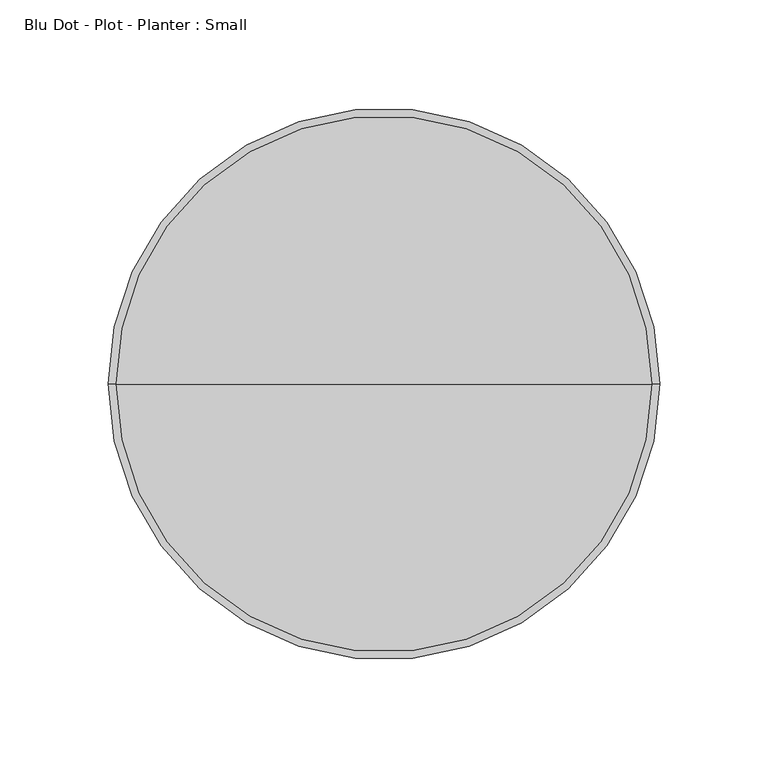
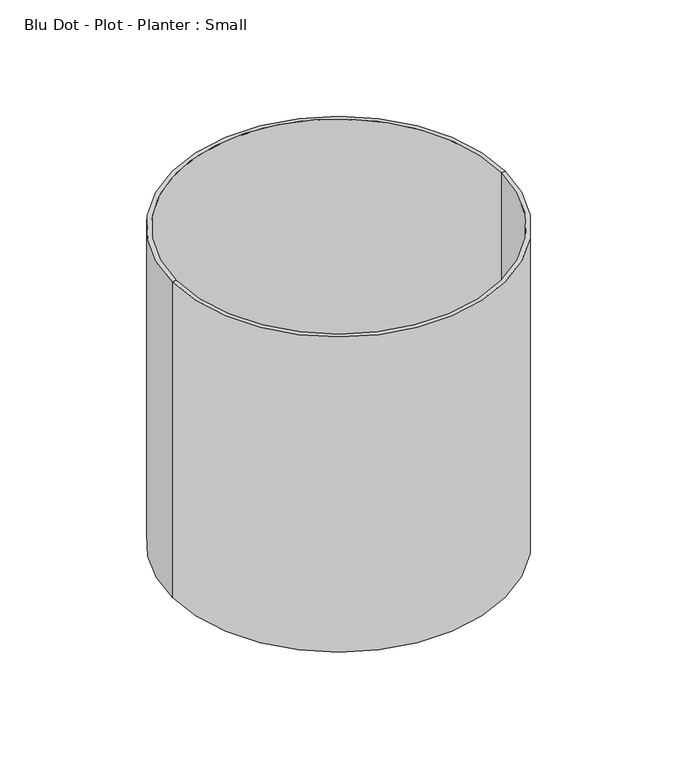
"""IFC4 building model written with IfcOpenShell, lengths in millimetres: furniture geometry, Blu Dot - Plot - Planter : Small."""

from ifc_helpers import new_model, si_unit, frame, origin, place, context, project, spatial, polyline, circle_curve, source, transform, mapped, element, save
from ifc_brep_helpers import plane_surface, cylinder_surface, revolved_surface, advanced_brep


def blu_dot_plot_planter_small_468dea09(model_context):
    return source(origin(), model_context, "Body", "AdvancedBrep", [
        advanced_brep(
        [(123.698, 0.0, 0.0), (-123.698, 0.0, 0.0), (-127.0, 0.0, 0.0), (127.0, 0.0, 0.0), (123.698, 0.0, 23.876), (-123.698, 0.0, 23.876), (0.0, 0.0, 23.876), (123.698, 0.0, 33.02), (-123.698, 0.0, 33.02), (0.0, 0.0, 33.02), (123.698, 0.0, 254.0), (-123.698, 0.0, 254.0), (127.0, 0.0, 254.0), (-127.0, 0.0, 254.0)],
        [
            (0, 1, circle_curve(frame((0.0, 0.0, 0.0), z_axis=(0.0, 0.0, 1.0), x_axis=(-1.0, 0.0, 0.0)), 123.698)),
            (1, 2),
            (2, 3, circle_curve(frame((0.0, 0.0, 0.0), z_axis=(0.0, 0.0, -1.0), x_axis=(-1.0, 0.0, 0.0)), 127.0)),
            (3, 0),
            (1, 0, circle_curve(frame((0.0, 0.0, 0.0), z_axis=(0.0, 0.0, 1.0), x_axis=(-1.0, 0.0, 0.0)), 123.698)),
            (3, 2, circle_curve(frame((0.0, 0.0, 0.0), z_axis=(0.0, 0.0, -1.0), x_axis=(-1.0, 0.0, 0.0)), 127.0)),
            (4, 5, circle_curve(frame((0.0, 0.0, 23.876), z_axis=(0.0, 0.0, 1.0), x_axis=(-1.0, 0.0, 0.0)), 123.698)),
            (5, 1),
            (0, 4),
            (5, 4, circle_curve(frame((0.0, 0.0, 23.876), z_axis=(0.0, 0.0, 1.0), x_axis=(-1.0, 0.0, 0.0)), 123.698)),
            (6, 5),
            (4, 6),
            (7, 8, circle_curve(frame((0.0, 0.0, 33.02), z_axis=(0.0, 0.0, 1.0), x_axis=(-1.0, 0.0, 0.0)), 123.698)),
            (8, 9),
            (9, 7),
            (8, 7, circle_curve(frame((0.0, 0.0, 33.02), z_axis=(0.0, 0.0, 1.0), x_axis=(-1.0, 0.0, 0.0)), 123.698)),
            (10, 11, circle_curve(frame((0.0, 0.0, 254.0), z_axis=(0.0, 0.0, 1.0), x_axis=(-1.0, 0.0, 0.0)), 123.698)),
            (11, 8),
            (7, 10),
            (11, 10, circle_curve(frame((0.0, 0.0, 254.0), z_axis=(0.0, 0.0, 1.0), x_axis=(-1.0, 0.0, 0.0)), 123.698)),
            (12, 13, circle_curve(frame((0.0, 0.0, 254.0), z_axis=(0.0, 0.0, 1.0), x_axis=(-1.0, 0.0, 0.0)), 127.0)),
            (13, 11),
            (10, 12),
            (13, 12, circle_curve(frame((0.0, 0.0, 254.0), z_axis=(0.0, 0.0, 1.0), x_axis=(-1.0, 0.0, 0.0)), 127.0)),
            (2, 13),
            (12, 3),
        ],
        [
            plane_surface(frame((0.0, 0.0, 0.0), z_axis=(0.0, 0.0, -1.0), x_axis=(-1.0, 0.0, 0.0))),
            revolved_surface(polyline([(-123.698, 0.0, 0.0), (-123.698, 0.0, 23.876000000000005)]), (0.0, 0.0, -31.75), (0.0, 0.0, -1.0)),
            plane_surface(frame((0.0, 0.0, 23.876), z_axis=(0.0, 0.0, -1.0), x_axis=(-1.0, 0.0, 0.0))),
            plane_surface(frame((0.0, 0.0, 33.02), z_axis=(0.0, 0.0, 1.0), x_axis=(-1.0, 0.0, 0.0))),
            revolved_surface(polyline([(-123.698, 0.0, 33.02000000000001), (-123.698, 0.0, 254.0)]), (0.0, 0.0, -31.75), (0.0, 0.0, -1.0)),
            plane_surface(frame((0.0, 0.0, 254.0), z_axis=(0.0, 0.0, 1.0), x_axis=(-1.0, 0.0, 0.0))),
            cylinder_surface(frame((0.0, 0.0, -31.75), z_axis=(0.0, 0.0, -1.0), x_axis=(-1.0, 0.0, 0.0)), 127.0),
        ],
        [
            (0, [[1, 2, 3, 4]]),
            (0, [[5, -4, 6, -2]]),
            (1, [[7, 8, -1, 9]]),
            (1, [[10, -9, -5, -8]]),
            (2, [[11, -7, 12]]),
            (2, [[-12, -10, -11]]),
            (3, [[13, 14, 15]]),
            (3, [[16, -15, -14]]),
            (4, [[17, 18, -13, 19]]),
            (4, [[20, -19, -16, -18]]),
            (5, [[21, 22, -17, 23]]),
            (5, [[24, -23, -20, -22]]),
            (6, [[-3, 25, -21, 26]]),
            (6, [[-6, -26, -24, -25]]),
        ],
    ),
    ])


if __name__ == "__main__":
    model = new_model("IFC4")
    model_context = context("Model", 3, world=origin())
    ifc_project = project(units=[si_unit("LENGTHUNIT", "METRE", prefix="MILLI")], contexts=[model_context])
    site = spatial("IfcSite", under=ifc_project)
    building = spatial("IfcBuilding", under=site)
    placement = place(None, origin())
    blu_dot_plot_planter_small_shape = blu_dot_plot_planter_small_468dea09(model_context)
    element("IfcFurniture", 1, ObjectType="Blu Dot - Plot - Planter : Small", at=placement, inside=building, context=model_context, shape_type="MappedRepresentation", body=[
        mapped(blu_dot_plot_planter_small_shape, transform((0.0, 0.0, 0.0), x_axis=(1.0, 0.0, 0.0), y_axis=(0.0, 1.0, 0.0), z_axis=(0.0, 0.0, 1.0))),
    ])
    save(model, "model.ifc")
